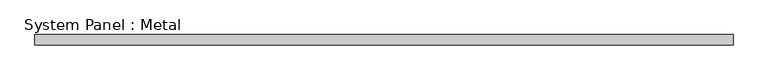
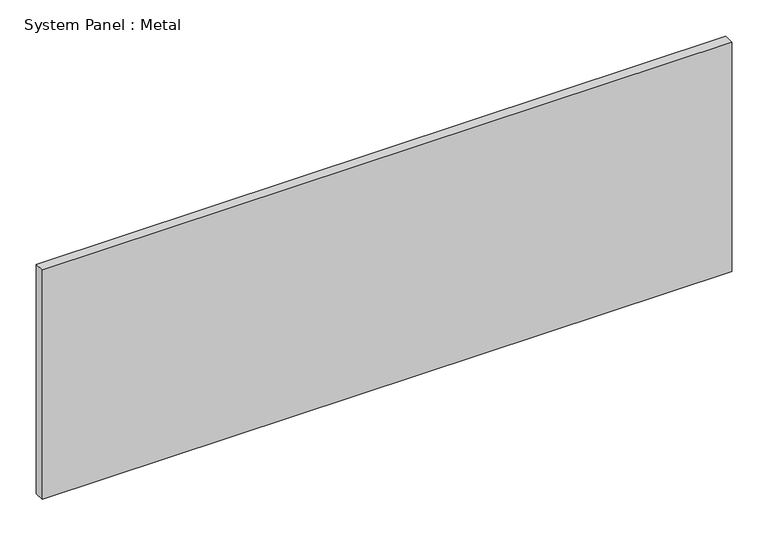
"""IFC4 building model written with IfcOpenShell, lengths in millimetres: plate geometry, System Panel : Metal."""

from ifc_helpers import new_model, si_unit, origin, origin_with_axes, place, context, project, spatial, polyline, outline, extrude, source, transform, mapped, element, save


def system_panel_metal_845d0436(model_context):
    return source(origin(), model_context, "Body", "SweptSolid", [
        extrude(outline(polyline([(547.2206061, -85.0), (-547.2206061, -85.0), (-547.2206061, -69.0), (547.2206061, -69.0), (547.2206061, -85.0)])), origin_with_axes(), (0.0, 0.0, 1.0), 385.0),
    ])


if __name__ == "__main__":
    model = new_model("IFC4")
    model_context = context("Model", 3, world=origin())
    ifc_project = project(units=[si_unit("LENGTHUNIT", "METRE", prefix="MILLI")], contexts=[model_context])
    site = spatial("IfcSite", under=ifc_project)
    building = spatial("IfcBuilding", under=site)
    placement = place(None, origin())
    system_panel_metal_shape = system_panel_metal_845d0436(model_context)
    element("IfcPlate", 1, ObjectType="System Panel : Metal", at=placement, inside=building, context=model_context, shape_type="MappedRepresentation", body=[
        mapped(system_panel_metal_shape, transform((0.0, 0.0, 0.0), x_axis=(1.0, 0.0, 0.0), y_axis=(0.0, 1.0, 0.0), z_axis=(0.0, 0.0, 1.0))),
    ])
    save(model, "model.ifc")
